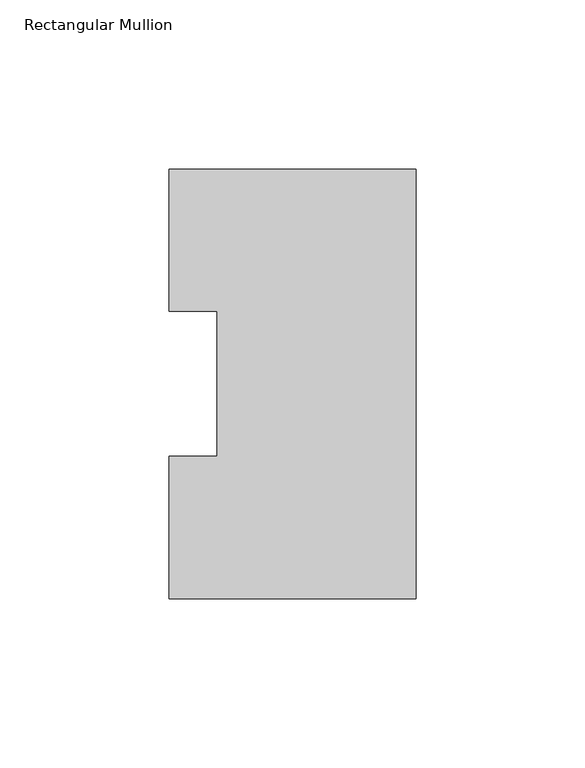
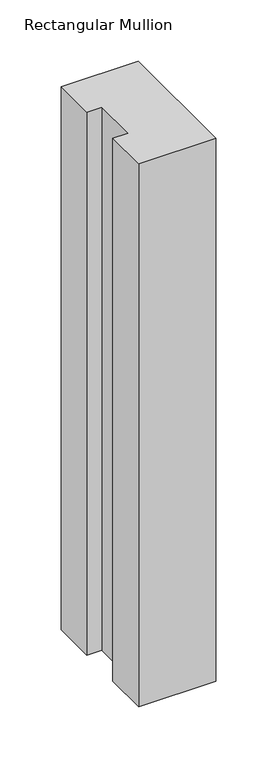
"""IFC4 building model written with IfcOpenShell, lengths in millimetres: member geometry, Rectangular Mullion."""

from ifc_helpers import new_model, si_unit, frame, origin, place, context, project, spatial, polyline, outline, extrude, source, transform, mapped, element, save


def rectangular_mullion_34c061c8(model_context):
    return source(origin(), model_context, "Body", "SweptSolid", [
        extrude(outline(polyline([(0.0, 127.00635), (0.0, 0.00635), (-73.025, 0.00635), (-73.025, 42.08145), (-58.7375, 42.08145), (-58.7375, 84.93125), (-73.025, 84.93125), (-73.025, 127.00635), (0.0, 127.00635)])), frame((0.0, 0.0, -542.925), z_axis=(0.0, 0.0, 1.0), x_axis=(1.0, 0.0, 0.0)), (0.0, 0.0, 1.0), 542.925),
    ])


if __name__ == "__main__":
    model = new_model("IFC4")
    model_context = context("Model", 3, world=origin())
    ifc_project = project(units=[si_unit("LENGTHUNIT", "METRE", prefix="MILLI")], contexts=[model_context])
    site = spatial("IfcSite", under=ifc_project)
    building = spatial("IfcBuilding", under=site)
    placement = place(None, origin())
    rectangular_mullion_shape = rectangular_mullion_34c061c8(model_context)
    element("IfcMember", 1, ObjectType="Rectangular Mullion", at=placement, inside=building, context=model_context, shape_type="MappedRepresentation", body=[
        mapped(rectangular_mullion_shape, transform((0.0, 0.0, 0.0), x_axis=(1.0, 0.0, 0.0), y_axis=(0.0, 1.0, 0.0), z_axis=(0.0, 0.0, 1.0))),
    ])
    save(model, "model.ifc")
